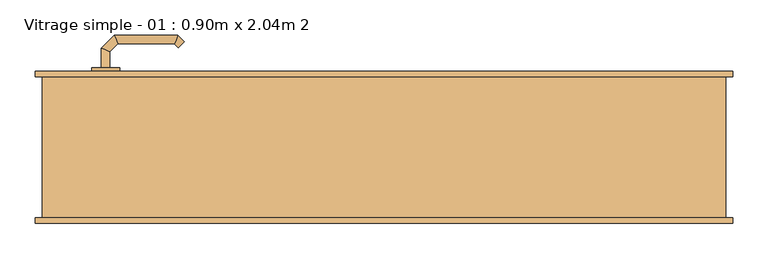
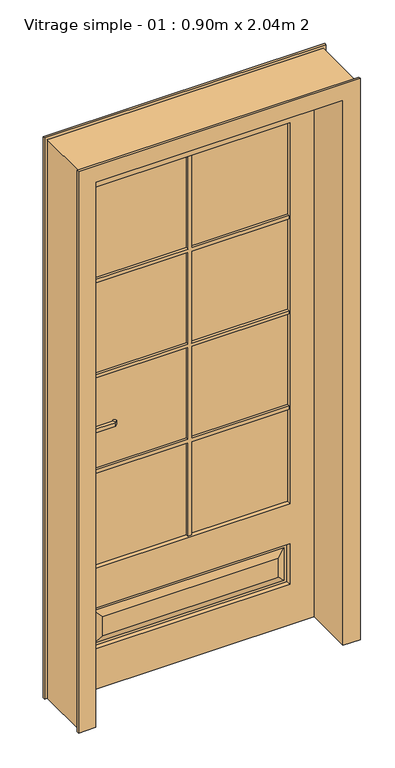
"""IFC4 building model written with IfcOpenShell, lengths in millimetres: door geometry, Vitrage simple - 01 : 0.90m x 2.04m 2."""

from ifc_helpers import new_model, si_unit, point, frame, frame_2d, origin, place, context, project, spatial, polyline, circle_curve, ellipse_curve, trimmed, segment, composite_curve, outline, extrude, faceted_brep, source, transform, mapped, element, save
from ifc_brep_helpers import plane_surface, cylinder_surface, advanced_brep


def vitrage_simple_01_0_90m_x_2_04m_2_4fdedf07(model_context):
    return source(origin(), model_context, "Body", "SolidModel", [
        advanced_brep(
        [(-389.0, 63.0, 993.0), (-401.0, 63.0, 993.0), (-401.0, 63.0, 1007.0), (-389.0, 63.0, 1007.0), (-389.0, 40.5147955, 1007.0), (-389.0, 40.5147955, 993.0), (-401.0, 35.5442327, 1007.0), (-401.0, 35.5442327, 993.0), (-377.5147186, 29.0295141, 1007.0), (-377.5147186, 29.0295141, 993.0), (-382.4852814, 17.0295141, 1007.0), (-382.4852814, 17.0295141, 993.0), (-297.4394977, 29.0295141, 1007.0), (-297.4394977, 29.0295141, 993.0), (-292.468935, 17.0295141, 1007.0), (-292.468935, 17.0295141, 993.0), (-292.1257892, 34.3432226, 993.0), (-292.1257892, 34.3432226, 1007.0), (-283.6405078, 25.8579412, 1007.0), (-283.6405078, 25.8579412, 993.0)],
        [
            (0, 1, circle_curve(frame((-395.0, 63.0, 1013.0457722), z_axis=(0.0, 1.0, 0.0), x_axis=(-1.0, 0.0, 0.0)), 20.9244589)),
            (1, 2),
            (2, 3, circle_curve(frame((-395.0, 63.0, 986.9542278), z_axis=(0.0, 1.0, 0.0), x_axis=(-1.0, 0.0, 0.0)), 20.9244589)),
            (3, 0),
            (3, 4),
            (4, 5),
            (5, 0),
            (2, 6),
            (6, 4, ellipse_curve(frame((-395.0, 38.0295141, 986.9542278), z_axis=(-0.38268343236510893, 0.9238795325112789, 0.0), x_axis=(0.9238795325112789, 0.3826834323651087, 0.0)), 22.6484711, 20.9244589)),
            (1, 7),
            (7, 6),
            (5, 7, ellipse_curve(frame((-395.0, 38.0295141, 1013.0457722), z_axis=(-0.38268343236510893, 0.9238795325112789, 0.0), x_axis=(0.9238795325112789, 0.3826834323651087, 0.0)), 22.6484711, 20.9244589)),
            (4, 8),
            (8, 9),
            (9, 5),
            (6, 10),
            (10, 8, ellipse_curve(frame((-380.0, 23.0295141, 986.9542278), z_axis=(-0.9238795325112946, 0.38268343236507063, 0.0), x_axis=(0.3826834323650701, 0.9238795325112948, 0.0)), 22.6484711, 20.9244589)),
            (7, 11),
            (11, 10),
            (9, 11, ellipse_curve(frame((-380.0, 23.0295141, 1013.0457722), z_axis=(-0.9238795325112946, 0.38268343236507063, 0.0), x_axis=(0.3826834323650701, 0.9238795325112948, 0.0)), 22.6484711, 20.9244589)),
            (8, 12),
            (12, 13),
            (13, 9),
            (10, 14),
            (14, 12, ellipse_curve(frame((-294.9542163, 23.0295141, 986.9542278), z_axis=(-0.9238795325113071, -0.38268343236504027, 0.0), x_axis=(-0.38268343236504115, 0.9238795325113068, 0.0)), 22.6484711, 20.9244589)),
            (11, 15),
            (15, 14),
            (13, 15, ellipse_curve(frame((-294.9542163, 23.0295141, 1013.0457722), z_axis=(-0.9238795325113071, -0.38268343236504027, 0.0), x_axis=(-0.38268343236504115, 0.9238795325113068, 0.0)), 22.6484711, 20.9244589)),
            (16, 17),
            (17, 18, circle_curve(frame((-287.8831485, 30.1005819, 986.9542278), z_axis=(0.7071067811866232, 0.7071067811864719, 0.0), x_axis=(0.7071067811864719, -0.7071067811866232, 0.0)), 20.9244589)),
            (18, 19),
            (19, 16, circle_curve(frame((-287.8831485, 30.1005819, 1013.0457722), z_axis=(0.7071067811866232, 0.7071067811864719, 0.0), x_axis=(0.7071067811864719, -0.7071067811866232, 0.0)), 20.9244589)),
            (12, 17),
            (16, 13),
            (14, 18),
            (15, 19),
        ],
        [
            plane_surface(frame((-404.2195445, 63.0, 1000.0), z_axis=(0.0, 1.0, 0.0), x_axis=(0.0, 0.0, 1.0))),
            plane_surface(frame((-389.0, 63.0, 993.0), z_axis=(1.0, 0.0, 0.0), x_axis=(0.0, -1.0, 0.0))),
            cylinder_surface(frame((-395.0, 63.0, 986.9542278), z_axis=(0.0, 1.0, 0.0), x_axis=(-1.0, 0.0, 0.0)), 20.9244589),
            plane_surface(frame((-401.0, 63.0, 1007.0), z_axis=(-1.0, 0.0, 0.0), x_axis=(0.0, -1.0, 0.0))),
            cylinder_surface(frame((-395.0, 63.0, 1013.0457722), z_axis=(0.0, 1.0, 0.0), x_axis=(-1.0, 0.0, 0.0)), 20.9244589),
            plane_surface(frame((-389.0, 40.5147955, 993.0), z_axis=(0.7071067811865182, 0.707106781186577, 0.0), x_axis=(0.707106781186577, -0.7071067811865182, 0.0))),
            cylinder_surface(frame((-395.0, 38.0295141, 986.9542278), z_axis=(-0.7071067811865768, 0.7071067811865183, 0.0), x_axis=(-0.7071067811865183, -0.7071067811865768, 0.0)), 20.9244589),
            plane_surface(frame((-401.0, 35.5442327, 1007.0), z_axis=(-0.7071067811865184, -0.7071067811865767, 0.0), x_axis=(0.7071067811865767, -0.7071067811865184, 0.0))),
            cylinder_surface(frame((-395.0, 38.0295141, 1013.0457722), z_axis=(-0.7071067811865768, 0.7071067811865183, 0.0), x_axis=(-0.7071067811865183, -0.7071067811865768, 0.0)), 20.9244589),
            plane_surface(frame((-377.5147186, 29.0295141, 993.0), z_axis=(0.0, 1.0, 0.0), x_axis=(1.0, 0.0, 0.0))),
            cylinder_surface(frame((-380.0, 23.0295141, 986.9542278), z_axis=(-1.0, 0.0, 0.0), x_axis=(0.0, -1.0, 0.0)), 20.9244589),
            plane_surface(frame((-382.4852814, 17.0295141, 1007.0), z_axis=(0.0, -1.0, 0.0), x_axis=(1.0, 0.0, 0.0))),
            cylinder_surface(frame((-380.0, 23.0295141, 1013.0457722), z_axis=(-1.0, 0.0, 0.0), x_axis=(0.0, -1.0, 0.0)), 20.9244589),
            plane_surface(frame((-287.8831485, 30.1005819, 990.7804555), z_axis=(0.7071067811866233, 0.7071067811864719, 0.0), x_axis=(0.7071067811864719, -0.7071067811866233, 0.0))),
            plane_surface(frame((-297.4394977, 29.0295141, 993.0), z_axis=(-0.7071067811864713, 0.7071067811866238, 0.0), x_axis=(0.7071067811866238, 0.7071067811864713, 0.0))),
            cylinder_surface(frame((-294.9542163, 23.0295141, 986.9542278), z_axis=(-0.7071067811866232, -0.7071067811864719, 0.0), x_axis=(0.7071067811864719, -0.7071067811866232, 0.0)), 20.9244589),
            plane_surface(frame((-292.468935, 17.0295141, 1007.0), z_axis=(0.7071067811864721, -0.707106781186623, 0.0), x_axis=(0.707106781186623, 0.7071067811864721, 0.0))),
            cylinder_surface(frame((-294.9542163, 23.0295141, 1013.0457722), z_axis=(-0.7071067811866232, -0.7071067811864719, 0.0), x_axis=(0.7071067811864719, -0.7071067811866232, 0.0)), 20.9244589),
        ],
        [
            (0, [[1, 2, 3, 4]]),
            (1, [[5, 6, 7, -4]]),
            (2, [[8, 9, -5, -3]]),
            (3, [[10, 11, -8, -2]]),
            (4, [[-7, 12, -10, -1]]),
            (5, [[13, 14, 15, -6]]),
            (6, [[16, 17, -13, -9]]),
            (7, [[18, 19, -16, -11]]),
            (8, [[-15, 20, -18, -12]]),
            (9, [[21, 22, 23, -14]]),
            (10, [[24, 25, -21, -17]]),
            (11, [[26, 27, -24, -19]]),
            (12, [[-23, 28, -26, -20]]),
            (13, [[29, 30, 31, 32]]),
            (14, [[33, -29, 34, -22]]),
            (15, [[35, -30, -33, -25]]),
            (16, [[36, -31, -35, -27]]),
            (17, [[-34, -32, -36, -28]]),
        ],
    ),
        advanced_brep(
        [(-401.0, 113.0, 1007.0), (-401.0, 113.0, 993.0), (-389.0, 113.0, 993.0), (-389.0, 113.0, 1007.0), (-389.0, 135.680388, 1007.0), (-401.0, 140.6509507, 1007.0), (-389.0, 135.680388, 993.0), (-401.0, 140.6509507, 993.0), (-377.6522273, 147.0281607, 1007.0), (-382.62279, 159.0281607, 1007.0), (-377.6522273, 147.0281607, 993.0), (-382.62279, 159.0281607, 993.0), (-297.4666408, 147.0281607, 1007.0), (-292.496078, 159.0281607, 1007.0), (-297.4666408, 147.0281607, 993.0), (-292.496078, 159.0281607, 993.0), (-283.6676509, 150.1997336, 1007.0), (-292.1529323, 141.7144522, 1007.0), (-292.1529323, 141.7144522, 993.0), (-283.6676509, 150.1997336, 993.0)],
        [
            (0, 1),
            (1, 2, circle_curve(frame((-395.0, 113.0, 1013.0457722), z_axis=(0.0, -1.0, 0.0), x_axis=(1.0, 0.0, 0.0)), 20.9244589)),
            (2, 3),
            (3, 0, circle_curve(frame((-395.0, 113.0, 986.9542278), z_axis=(0.0, -1.0, 0.0), x_axis=(1.0, 0.0, 0.0)), 20.9244589)),
            (3, 4),
            (4, 5, ellipse_curve(frame((-395.0, 138.1656693, 986.9542278), z_axis=(-0.3826834323651093, -0.9238795325112789, 0.0), x_axis=(0.9238795325112791, -0.38268343236510843, 0.0)), 22.6484711, 20.9244589)),
            (5, 0),
            (2, 6),
            (6, 4),
            (1, 7),
            (7, 6, ellipse_curve(frame((-395.0, 138.1656693, 1013.0457722), z_axis=(-0.3826834323651093, -0.9238795325112789, 0.0), x_axis=(0.9238795325112791, -0.38268343236510843, 0.0)), 22.6484711, 20.9244589)),
            (5, 7),
            (4, 8),
            (8, 9, ellipse_curve(frame((-380.1375086, 153.0281607, 986.9542278), z_axis=(-0.9238795325112947, -0.38268343236507024, 0.0), x_axis=(0.3826834323650698, -0.9238795325112951, 0.0)), 22.6484711, 20.9244589)),
            (9, 5),
            (6, 10),
            (10, 8),
            (7, 11),
            (11, 10, ellipse_curve(frame((-380.1375086, 153.0281607, 1013.0457722), z_axis=(-0.9238795325112947, -0.38268343236507024, 0.0), x_axis=(0.3826834323650698, -0.9238795325112951, 0.0)), 22.6484711, 20.9244589)),
            (9, 11),
            (8, 12),
            (12, 13, ellipse_curve(frame((-294.9813594, 153.0281607, 986.9542278), z_axis=(-0.9238795325112743, 0.3826834323651198, 0.0), x_axis=(-0.38268343236511987, -0.9238795325112744, 0.0)), 22.6484711, 20.9244589)),
            (13, 9),
            (10, 14),
            (14, 12),
            (11, 15),
            (15, 14, ellipse_curve(frame((-294.9813594, 153.0281607, 1013.0457722), z_axis=(-0.9238795325112743, 0.3826834323651198, 0.0), x_axis=(-0.38268343236511987, -0.9238795325112744, 0.0)), 22.6484711, 20.9244589)),
            (13, 15),
            (16, 17, circle_curve(frame((-287.9102916, 145.9570929, 986.9542278), z_axis=(0.7071067811865017, -0.7071067811865933, 0.0), x_axis=(-0.7071067811865933, -0.7071067811865017, 0.0)), 20.9244589)),
            (17, 18),
            (18, 19, circle_curve(frame((-287.9102916, 145.9570929, 1013.0457722), z_axis=(0.7071067811865017, -0.7071067811865933, 0.0), x_axis=(-0.7071067811865933, -0.7071067811865017, 0.0)), 20.9244589)),
            (19, 16),
            (12, 17),
            (16, 13),
            (14, 18),
            (15, 19),
        ],
        [
            plane_surface(frame((-404.2195445, 113.0, 1000.0), z_axis=(0.0, -1.0, 0.0), x_axis=(0.0, 0.0, -1.0))),
            cylinder_surface(frame((-395.0, 113.0, 986.9542278), z_axis=(0.0, -1.0, 0.0), x_axis=(1.0, 0.0, 0.0)), 20.9244589),
            plane_surface(frame((-389.0, 113.0, 1007.0), z_axis=(1.0, 0.0, 0.0), x_axis=(0.0, 1.0, 0.0))),
            cylinder_surface(frame((-395.0, 113.0, 1013.0457722), z_axis=(0.0, -1.0, 0.0), x_axis=(1.0, 0.0, 0.0)), 20.9244589),
            plane_surface(frame((-401.0, 113.0, 993.0), z_axis=(-1.0, 0.0, 0.0), x_axis=(0.0, 1.0, 0.0))),
            cylinder_surface(frame((-395.0, 138.1656693, 986.9542278), z_axis=(-0.7071067811865772, -0.7071067811865177, 0.0), x_axis=(0.7071067811865177, -0.7071067811865772, 0.0)), 20.9244589),
            plane_surface(frame((-389.0, 135.680388, 1007.0), z_axis=(0.707106781186518, -0.7071067811865771, 0.0), x_axis=(0.7071067811865771, 0.707106781186518, 0.0))),
            cylinder_surface(frame((-395.0, 138.1656693, 1013.0457722), z_axis=(-0.7071067811865772, -0.7071067811865177, 0.0), x_axis=(0.7071067811865177, -0.7071067811865772, 0.0)), 20.9244589),
            plane_surface(frame((-401.0, 140.6509507, 993.0), z_axis=(-0.7071067811865179, 0.7071067811865772, 0.0), x_axis=(0.7071067811865772, 0.7071067811865179, 0.0))),
            cylinder_surface(frame((-380.1375086, 153.0281607, 986.9542278), z_axis=(-1.0, 0.0, 0.0), x_axis=(0.0, -1.0, 0.0)), 20.9244589),
            plane_surface(frame((-377.6522273, 147.0281607, 1007.0), z_axis=(0.0, -1.0, 0.0), x_axis=(1.0, 0.0, 0.0))),
            cylinder_surface(frame((-380.1375086, 153.0281607, 1013.0457722), z_axis=(-1.0, 0.0, 0.0), x_axis=(0.0, -1.0, 0.0)), 20.9244589),
            plane_surface(frame((-382.62279, 159.0281607, 993.0), z_axis=(0.0, 1.0, 0.0), x_axis=(1.0, 0.0, 0.0))),
            plane_surface(frame((-287.9102916, 145.9570929, 1009.2195445), z_axis=(0.7071067811865019, -0.7071067811865932, 0.0), x_axis=(0.7071067811865932, 0.7071067811865019, 0.0))),
            cylinder_surface(frame((-294.9813594, 153.0281607, 986.9542278), z_axis=(-0.7071067811865017, 0.7071067811865933, 0.0), x_axis=(-0.7071067811865933, -0.7071067811865017, 0.0)), 20.9244589),
            plane_surface(frame((-297.4666408, 147.0281607, 1007.0), z_axis=(-0.7071067811865925, -0.7071067811865025, 0.0), x_axis=(0.7071067811865025, -0.7071067811865925, 0.0))),
            cylinder_surface(frame((-294.9813594, 153.0281607, 1013.0457722), z_axis=(-0.7071067811865017, 0.7071067811865933, 0.0), x_axis=(-0.7071067811865933, -0.7071067811865017, 0.0)), 20.9244589),
            plane_surface(frame((-292.496078, 159.0281607, 993.0), z_axis=(0.7071067811865936, 0.7071067811865015, 0.0), x_axis=(0.7071067811865015, -0.7071067811865936, 0.0))),
        ],
        [
            (0, [[1, 2, 3, 4]]),
            (1, [[5, 6, 7, -4]]),
            (2, [[8, 9, -5, -3]]),
            (3, [[10, 11, -8, -2]]),
            (4, [[-7, 12, -10, -1]]),
            (5, [[13, 14, 15, -6]]),
            (6, [[16, 17, -13, -9]]),
            (7, [[18, 19, -16, -11]]),
            (8, [[-15, 20, -18, -12]]),
            (9, [[21, 22, 23, -14]]),
            (10, [[24, 25, -21, -17]]),
            (11, [[26, 27, -24, -19]]),
            (12, [[-23, 28, -26, -20]]),
            (13, [[29, 30, 31, 32]]),
            (14, [[33, -29, 34, -22]]),
            (15, [[35, -30, -33, -25]]),
            (16, [[36, -31, -35, -27]]),
            (17, [[-34, -32, -36, -28]]),
        ],
    ),
        extrude(outline(composite_curve([segment(trimmed(circle_curve(frame_2d((1045.3589838, -395.0)), 40.0), [point((1080.0, -375.0))], [point((1080.0, -415.0))], False, "CARTESIAN"), True, "CONTINUOUS"), segment(polyline([(1080.0, -415.0), (870.0, -415.0)]), True, "CONTINUOUS"), segment(trimmed(circle_curve(frame_2d((904.6410162, -395.0)), 40.0), [point((870.0, -415.0))], [point((870.0, -375.0))], False, "CARTESIAN"), True, "CONTINUOUS"), segment(polyline([(870.0, -375.0), (1080.0, -375.0)]), True, "CONTINUOUS")], self_intersect=False)), frame((0.0, 63.0, 0.0), z_axis=(0.0, 1.0, 0.0), x_axis=(0.0, 0.0, 1.0)), (0.0, 0.0, 1.0), 5.0),
        extrude(outline(composite_curve([segment(trimmed(circle_curve(frame_2d((904.6410162, -395.0)), 40.0), [point((870.0, -415.0))], [point((870.0, -375.0))], False, "CARTESIAN"), True, "CONTINUOUS"), segment(polyline([(870.0, -375.0), (1080.0, -375.0)]), True, "CONTINUOUS"), segment(trimmed(circle_curve(frame_2d((1045.3589838, -395.0)), 40.0), [point((1080.0, -375.0))], [point((1080.0, -415.0))], False, "CARTESIAN"), True, "CONTINUOUS"), segment(polyline([(1080.0, -415.0), (870.0, -415.0)]), True, "CONTINUOUS")], self_intersect=False)), frame((0.0, 108.0, 0.0), z_axis=(0.0, 1.0, 0.0), x_axis=(0.0, 0.0, 1.0)), (0.0, 0.0, 1.0), 5.0),
        faceted_brep([(-485.0, 100.0, 0.0), (-495.0, 100.0, 0.0), (-495.0, 108.0, 0.0), (-450.0, 108.0, 0.0), (-450.0, 68.0, 0.0), (-435.0, 68.0, 0.0), (-435.0, -108.0, 0.0), (-495.0, -108.0, 0.0), (-495.0, -100.0, 0.0), (-485.0, -100.0, 0.0), (-485.0, -100.0, 2075.0), (-485.0, 100.0, 2075.0), (-495.0, -100.0, 2085.0), (495.0, -100.0, 2085.0), (495.0, -100.0, 0.0), (485.0, -100.0, 0.0), (485.0, -100.0, 2075.0), (-495.0, -108.0, 2085.0), (-435.0, -108.0, 2025.0), (435.0, -108.0, 2025.0), (435.0, -108.0, 0.0), (495.0, -108.0, 0.0), (495.0, -108.0, 2085.0), (-435.0, 68.0, 2025.0), (-450.0, 68.0, 2040.0), (450.0, 68.0, 2040.0), (450.0, 68.0, 0.0), (435.0, 68.0, 0.0), (435.0, 68.0, 2025.0), (-450.0, 108.0, 2040.0), (-495.0, 108.0, 2085.0), (495.0, 108.0, 2085.0), (495.0, 108.0, 0.0), (450.0, 108.0, 0.0), (450.0, 108.0, 2040.0), (-495.0, 100.0, 2085.0), (485.0, 100.0, 2075.0), (485.0, 100.0, 0.0), (495.0, 100.0, 0.0), (495.0, 100.0, 2085.0)], [[[0, 1, 2, 3, 4, 5, 6, 7, 8, 9]], [[9, 10, 11, 0]], [[8, 12, 13, 14, 15, 16, 10, 9]], [[7, 17, 12, 8]], [[6, 18, 19, 20, 21, 22, 17, 7]], [[5, 23, 18, 6]], [[4, 24, 25, 26, 27, 28, 23, 5]], [[3, 29, 24, 4]], [[2, 30, 31, 32, 33, 34, 29, 3]], [[1, 35, 30, 2]], [[0, 11, 36, 37, 38, 39, 35, 1]], [[15, 37, 36, 16]], [[14, 21, 20, 27, 26, 33, 32, 38, 37, 15]], [[13, 22, 21, 14]], [[19, 28, 27, 20]], [[25, 34, 33, 26]], [[31, 39, 38, 32]], [[10, 16, 36, 11]], [[12, 17, 22, 13]], [[18, 23, 28, 19]], [[24, 29, 34, 25]], [[30, 35, 39, 31]]]),
        extrude(outline(polyline([(350.0, 93.0), (350.0, 83.0), (-350.0, 83.0), (-350.0, 93.0), (350.0, 93.0)])), frame((0.0, 0.0, 450.0), z_axis=(0.0, 0.0, 1.0), x_axis=(1.0, 0.0, 0.0)), (0.0, 0.0, 1.0), 1415.0),
        faceted_brep([(-450.0, 108.0, 2040.0), (450.0, 108.0, 2040.0), (450.0, 108.0, 0.0), (-450.0, 108.0, 0.0), (350.0, 108.0, 1865.0), (-350.0, 108.0, 1865.0), (-350.0, 108.0, 450.0), (350.0, 108.0, 450.0), (350.0, 108.0, 300.0), (-350.0, 108.0, 300.0), (-350.0, 108.0, 150.0), (350.0, 108.0, 150.0), (310.0, 108.0, 190.0), (-310.0, 108.0, 190.0), (-310.0, 108.0, 260.0), (310.0, 108.0, 260.0), (-450.0, 68.0, 2040.0), (-450.0, 68.0, 0.0), (450.0, 68.0, 0.0), (450.0, 68.0, 2040.0), (350.0, 68.0, 1865.0), (350.0, 68.0, 450.0), (-350.0, 68.0, 450.0), (-350.0, 68.0, 1865.0), (-350.0, 68.0, 300.0), (350.0, 68.0, 300.0), (350.0, 68.0, 150.0), (-350.0, 68.0, 150.0), (-310.0, 68.0, 190.0), (310.0, 68.0, 190.0), (310.0, 68.0, 260.0), (-310.0, 68.0, 260.0), (335.0, 98.0, 285.0), (335.0, 98.0, 165.0), (345.0, 98.0, 295.0), (345.0, 98.0, 155.0), (-335.0, 98.0, 165.0), (-345.0, 98.0, 155.0), (-335.0, 98.0, 285.0), (-345.0, 98.0, 295.0), (-335.0, 78.0, 285.0), (-335.0, 78.0, 165.0), (-345.0, 78.0, 295.0), (-345.0, 78.0, 155.0), (335.0, 78.0, 165.0), (345.0, 78.0, 155.0), (335.0, 78.0, 285.0), (345.0, 78.0, 295.0)], [[[0, 1, 2, 3], [4, 5, 6, 7], [8, 9, 10, 11]], [[12, 13, 14, 15]], [[16, 17, 18, 19], [20, 21, 22, 23], [24, 25, 26, 27]], [[28, 29, 30, 31]], [[3, 17, 16, 0]], [[2, 18, 17, 3]], [[1, 19, 18, 2]], [[0, 16, 19, 1]], [[7, 21, 20, 4]], [[6, 22, 21, 7]], [[5, 23, 22, 6]], [[4, 20, 23, 5]], [[12, 15, 32, 33]], [[34, 8, 11, 35]], [[33, 36, 13, 12]], [[11, 10, 37, 35]], [[36, 38, 14, 13]], [[10, 9, 39, 37]], [[35, 37, 39, 34], [32, 38, 36, 33]], [[15, 14, 38, 32]], [[34, 39, 9, 8]], [[28, 31, 40, 41]], [[42, 24, 27, 43]], [[41, 44, 29, 28]], [[27, 26, 45, 43]], [[44, 46, 30, 29]], [[26, 25, 47, 45]], [[43, 45, 47, 42], [40, 46, 44, 41]], [[31, 30, 46, 40]], [[42, 47, 25, 24]]]),
        extrude(outline(polyline([(450.0, 6.0), (797.75, 6.0), (797.75, 350.0), (809.75, 350.0), (809.75, 6.0), (1151.5, 6.0), (1151.5, 350.0), (1163.5, 350.0), (1163.5, 6.0), (1505.25, 6.0), (1505.25, 350.0), (1517.25, 350.0), (1517.25, 6.0), (1865.0, 6.0), (1865.0, -6.0), (1517.25, -6.0), (1517.25, -350.0), (1505.25, -350.0), (1505.25, -6.0), (1163.5, -6.0), (1163.5, -350.0), (1151.5, -350.0), (1151.5, -6.0), (809.75, -6.0), (809.75, -350.0), (797.75, -350.0), (797.75, -6.0), (450.0, -6.0), (450.0, 6.0)])), frame((0.0, 93.0, 0.0), z_axis=(0.0, 1.0, 0.0), x_axis=(0.0, 0.0, 1.0)), (0.0, 0.0, 1.0), 10.0),
        extrude(outline(polyline([(450.0, 6.0), (797.75, 6.0), (797.75, 350.0), (809.75, 350.0), (809.75, 6.0), (1151.5, 6.0), (1151.5, 350.0), (1163.5, 350.0), (1163.5, 6.0), (1505.25, 6.0), (1505.25, 350.0), (1517.25, 350.0), (1517.25, 6.0), (1865.0, 6.0), (1865.0, -6.0), (1517.25, -6.0), (1517.25, -350.0), (1505.25, -350.0), (1505.25, -6.0), (1163.5, -6.0), (1163.5, -350.0), (1151.5, -350.0), (1151.5, -6.0), (809.75, -6.0), (809.75, -350.0), (797.75, -350.0), (797.75, -6.0), (450.0, -6.0), (450.0, 6.0)])), frame((0.0, 73.0, 0.0), z_axis=(0.0, 1.0, 0.0), x_axis=(0.0, 0.0, 1.0)), (0.0, 0.0, 1.0), 10.0),
    ])


if __name__ == "__main__":
    model = new_model("IFC4")
    model_context = context("Model", 3, world=origin())
    ifc_project = project(units=[si_unit("LENGTHUNIT", "METRE", prefix="MILLI")], contexts=[model_context])
    site = spatial("IfcSite", under=ifc_project)
    building = spatial("IfcBuilding", under=site)
    placement = place(None, origin())
    vitrage_simple_01_0_90m_x_2_04m_2_shape = vitrage_simple_01_0_90m_x_2_04m_2_4fdedf07(model_context)
    element("IfcDoor", 1, ObjectType="Vitrage simple - 01 : 0.90m x 2.04m 2", at=placement, inside=building, context=model_context, shape_type="MappedRepresentation", body=[
        mapped(vitrage_simple_01_0_90m_x_2_04m_2_shape, transform((0.0, 0.0, 0.0), x_axis=(1.0, 0.0, 0.0), y_axis=(0.0, 1.0, 0.0), z_axis=(0.0, 0.0, 1.0))),
    ])
    save(model, "model.ifc")
